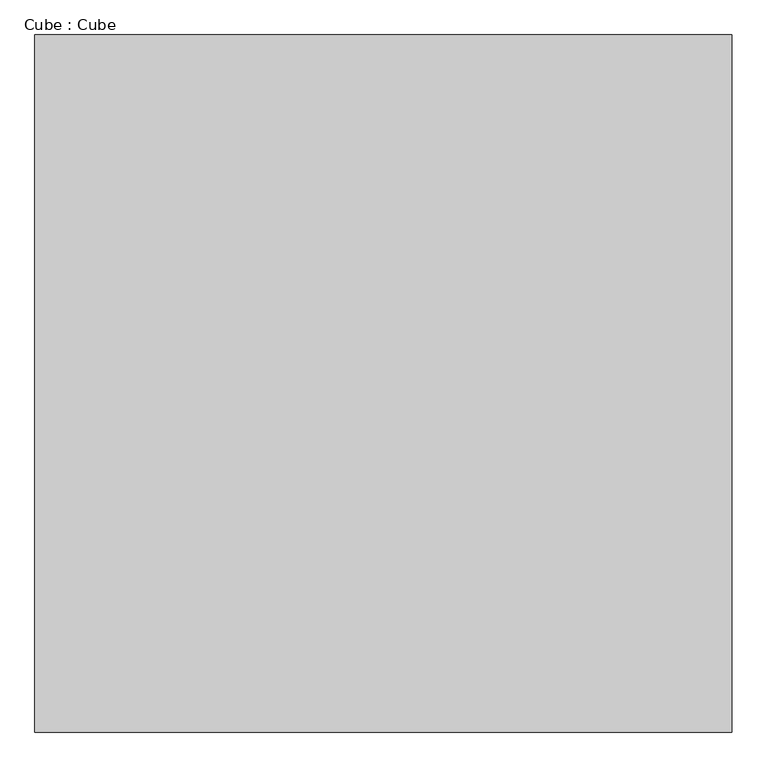
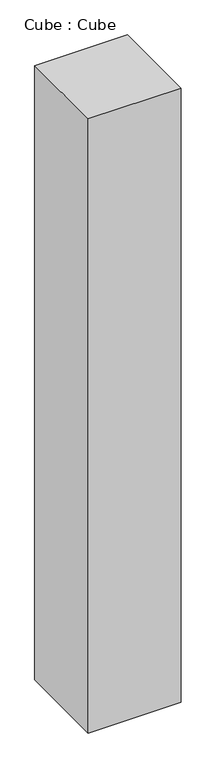
"""IFC4 building model written with IfcOpenShell, lengths in millimetres: proxy geometry, Cube : Cube."""

from ifc_helpers import new_model, si_unit, origin, origin_with_axes, place, context, project, spatial, polyline, outline, extrude, source, transform, mapped, element, save


def cube_cube_a85e9cd3(model_context):
    return source(origin(), model_context, "Body", "SweptSolid", [
        extrude(outline(polyline([(500.0, 500.0), (500.0, -500.0), (-500.0, -500.0), (-500.0, 500.0), (500.0, 500.0)])), origin_with_axes(), (0.0, 0.0, 1.0), 7000.0),
    ])


if __name__ == "__main__":
    model = new_model("IFC4")
    model_context = context("Model", 3, world=origin())
    ifc_project = project(units=[si_unit("LENGTHUNIT", "METRE", prefix="MILLI")], contexts=[model_context])
    site = spatial("IfcSite", under=ifc_project)
    building = spatial("IfcBuilding", under=site)
    placement = place(None, origin())
    cube_cube_shape = cube_cube_a85e9cd3(model_context)
    element("IfcBuildingElementProxy", 1, Name="Cube : Cube", ObjectType="Cube : Cube", at=placement, inside=building, context=model_context, shape_type="MappedRepresentation", body=[
        mapped(cube_cube_shape, transform((0.0, 0.0, 0.0), x_axis=(1.0, 0.0, 0.0), y_axis=(0.0, 1.0, 0.0), z_axis=(0.0, 0.0, 1.0))),
    ])
    save(model, "model.ifc")
